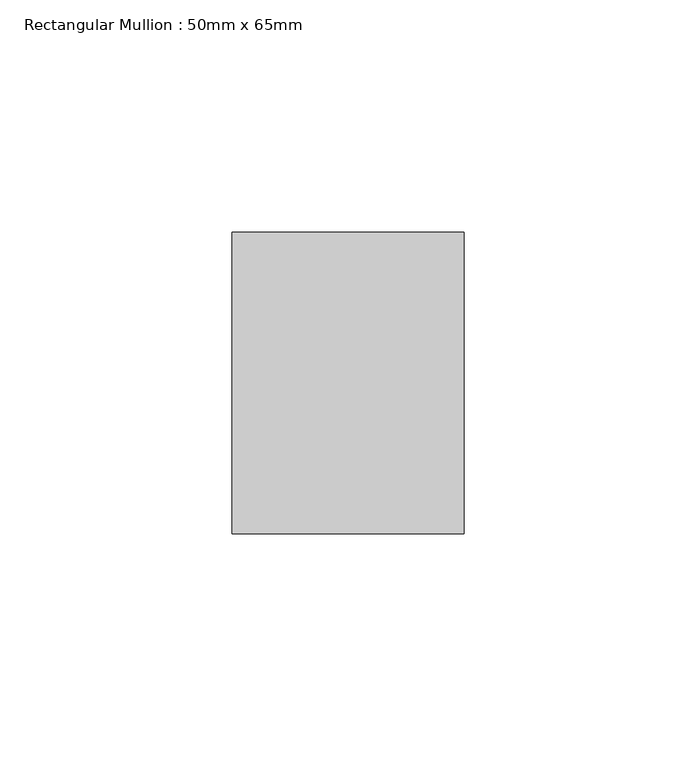
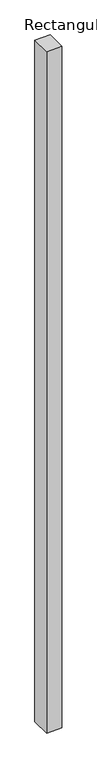
"""IFC4 building model written with IfcOpenShell, lengths in millimetres: member geometry, Rectangular Mullion : 50mm x 65mm."""

from ifc_helpers import new_model, si_unit, frame, origin, place, context, project, spatial, polyline, outline, extrude, source, transform, mapped, element, save


def rectangular_mullion_50mm_x_65mm_56575828(model_context):
    return source(origin(), model_context, "Body", "SweptSolid", [
        extrude(outline(polyline([(25.0, 32.5), (25.0, -32.5), (-25.0, -32.5), (-25.0, 32.5), (25.0, 32.5)])), frame((0.0, 0.0, -2332.1773861), z_axis=(0.0, 0.0, 1.0), x_axis=(1.0, 0.0, 0.0)), (0.0, 0.0, 1.0), 2332.1773861),
    ])


if __name__ == "__main__":
    model = new_model("IFC4")
    model_context = context("Model", 3, world=origin())
    ifc_project = project(units=[si_unit("LENGTHUNIT", "METRE", prefix="MILLI")], contexts=[model_context])
    site = spatial("IfcSite", under=ifc_project)
    building = spatial("IfcBuilding", under=site)
    placement = place(None, origin())
    rectangular_mullion_50mm_x_65mm_shape = rectangular_mullion_50mm_x_65mm_56575828(model_context)
    element("IfcMember", 1, ObjectType="Rectangular Mullion : 50mm x 65mm", at=placement, inside=building, context=model_context, shape_type="MappedRepresentation", body=[
        mapped(rectangular_mullion_50mm_x_65mm_shape, transform((0.0, 0.0, 0.0), x_axis=(1.0, 0.0, 0.0), y_axis=(0.0, 1.0, 0.0), z_axis=(0.0, 0.0, 1.0))),
    ])
    save(model, "model.ifc")
